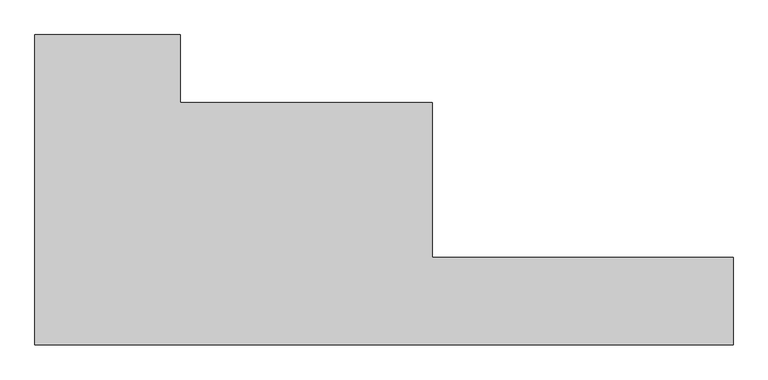
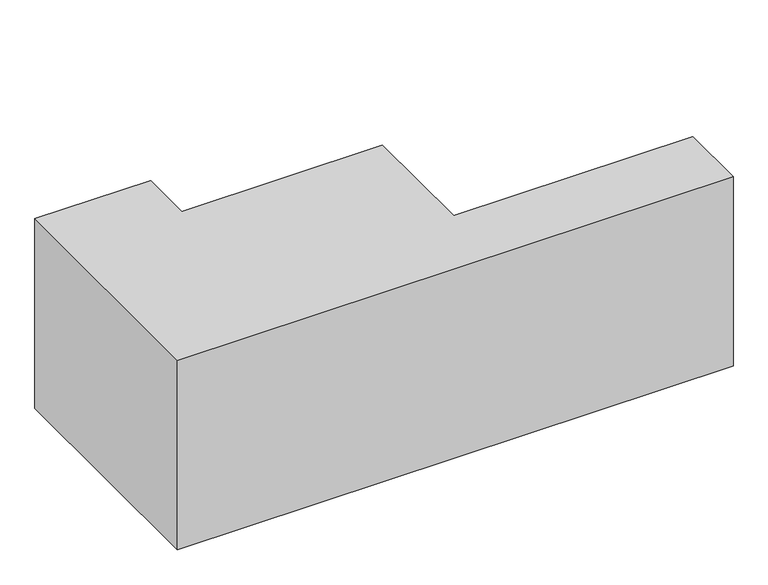
"""IFC4 building model written with IfcOpenShell, lengths in millimetres: proxy geometry."""

from ifc_helpers import new_model, si_unit, origin, origin_with_axes, place, context, project, spatial, polyline, outline, extrude, source, transform, mapped, element, save


def generic_models_abd4b80b(model_context):
    return source(origin(), model_context, "Body", "SweptSolid", [
        extrude(outline(polyline([(750.0, 1600.0), (750.0, 1250.0), (2050.0, 1250.0), (2050.0, 450.0), (3600.0, 450.0), (3600.0, 0.0), (0.0, 0.0), (0.0, 1600.0), (750.0, 1600.0)])), origin_with_axes(), (0.0, 0.0, 1.0), 1300.0),
    ])


if __name__ == "__main__":
    model = new_model("IFC4")
    model_context = context("Model", 3, world=origin())
    ifc_project = project(units=[si_unit("LENGTHUNIT", "METRE", prefix="MILLI")], contexts=[model_context])
    site = spatial("IfcSite", under=ifc_project)
    building = spatial("IfcBuilding", under=site)
    placement = place(None, origin())
    generic_models_shape = generic_models_abd4b80b(model_context)
    element("IfcBuildingElementProxy", 1, Name="Generic Models", at=placement, inside=building, context=model_context, shape_type="MappedRepresentation", body=[
        mapped(generic_models_shape, transform((0.0, 0.0, 0.0), x_axis=(1.0, 0.0, 0.0), y_axis=(0.0, 1.0, 0.0), z_axis=(0.0, 0.0, 1.0))),
    ])
    save(model, "model.ifc")
